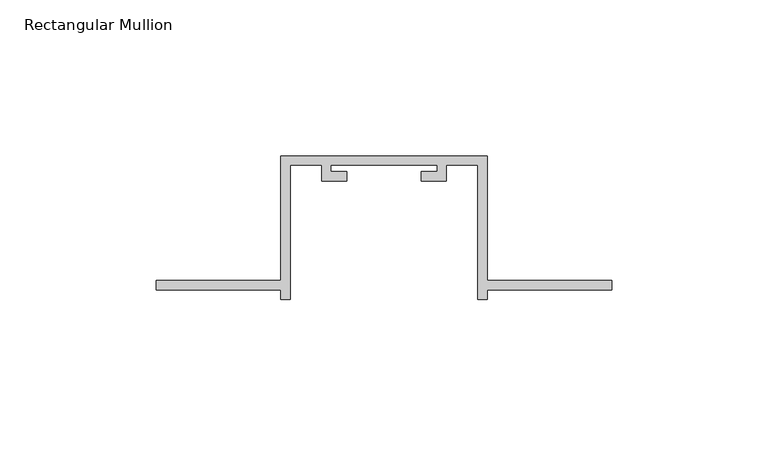
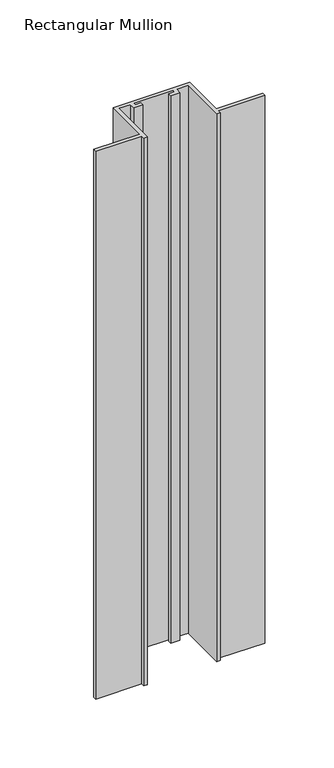
"""IFC4 building model written with IfcOpenShell, lengths in millimetres: member geometry, Rectangular Mullion."""

from ifc_helpers import new_model, si_unit, frame, origin, place, context, project, spatial, polyline, outline, extrude, source, transform, mapped, element, save


def rectangular_mullion_300bb779(model_context):
    return source(origin(), model_context, "Body", "SweptSolid", [
        extrude(outline(polyline([(-106.0, -132.0), (-146.0, -132.0), (-146.0, -129.0), (-106.0, -129.0), (-106.0, -89.0), (-40.0, -89.0), (-40.0, -129.0), (0.0, -129.0), (0.0, -132.0), (-40.0, -132.0), (-40.0, -135.0), (-43.0, -135.0), (-43.0, -92.0), (-53.0, -92.0), (-53.0, -97.0), (-61.0, -97.0), (-61.0, -94.0), (-56.0, -94.0), (-56.0, -92.0), (-90.0, -92.0), (-90.0, -94.0), (-85.0, -94.0), (-85.0, -97.0), (-93.0, -97.0), (-93.0, -92.0), (-103.0, -92.0), (-103.0, -135.0), (-106.0, -135.0), (-106.0, -132.0)])), frame((0.0, 0.0, -500.0), z_axis=(0.0, 0.0, 1.0), x_axis=(1.0, 0.0, 0.0)), (0.0, 0.0, 1.0), 500.0),
    ])


if __name__ == "__main__":
    model = new_model("IFC4")
    model_context = context("Model", 3, world=origin())
    ifc_project = project(units=[si_unit("LENGTHUNIT", "METRE", prefix="MILLI")], contexts=[model_context])
    site = spatial("IfcSite", under=ifc_project)
    building = spatial("IfcBuilding", under=site)
    placement = place(None, origin())
    rectangular_mullion_shape = rectangular_mullion_300bb779(model_context)
    element("IfcMember", 1, ObjectType="Rectangular Mullion", at=placement, inside=building, context=model_context, shape_type="MappedRepresentation", body=[
        mapped(rectangular_mullion_shape, transform((0.0, 0.0, 0.0), x_axis=(1.0, 0.0, 0.0), y_axis=(0.0, 1.0, 0.0), z_axis=(0.0, 0.0, 1.0))),
    ])
    save(model, "model.ifc")
